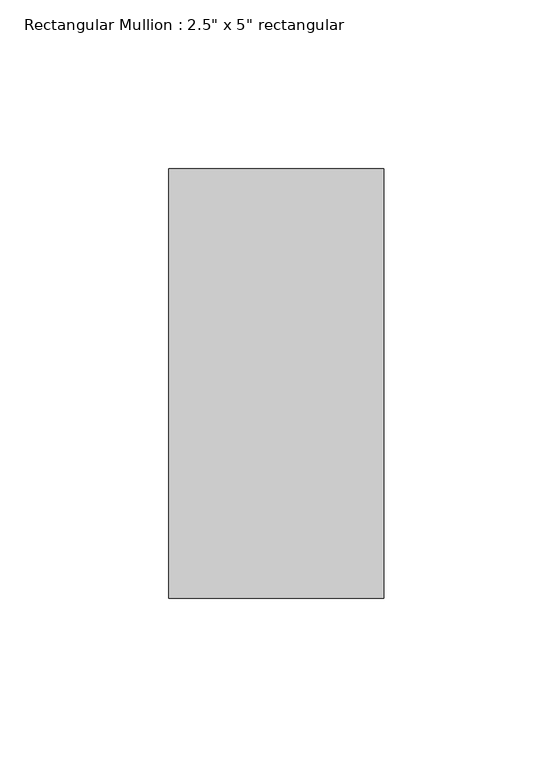
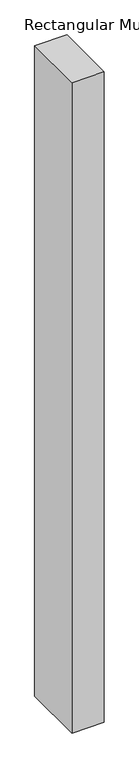
"""IFC4 building model written with IfcOpenShell, lengths in millimetres: member geometry."""

from ifc_helpers import new_model, si_unit, frame, origin, place, context, project, spatial, polyline, outline, extrude, source, transform, mapped, element, save


def member_f50f8ca6(model_context):
    return source(origin(), model_context, "Body", "SweptSolid", [
        extrude(outline(polyline([(31.75, 63.5), (31.75, -63.5), (-31.75, -63.5), (-31.75, 63.5), (31.75, 63.5)])), frame((0.0, 0.0, -1354.75), z_axis=(0.0, 0.0, 1.0), x_axis=(1.0, 0.0, 0.0)), (0.0, 0.0, 1.0), 1354.75),
    ])


if __name__ == "__main__":
    model = new_model("IFC4")
    model_context = context("Model", 3, world=origin())
    ifc_project = project(units=[si_unit("LENGTHUNIT", "METRE", prefix="MILLI")], contexts=[model_context])
    site = spatial("IfcSite", under=ifc_project)
    building = spatial("IfcBuilding", under=site)
    placement = place(None, origin())
    member_shape = member_f50f8ca6(model_context)
    element("IfcMember", 1, ObjectType="Rectangular Mullion : 2.5\" x 5\" rectangular", at=placement, inside=building, context=model_context, shape_type="MappedRepresentation", body=[
        mapped(member_shape, transform((0.0, 0.0, 0.0), x_axis=(1.0, 0.0, 0.0), y_axis=(0.0, 1.0, 0.0), z_axis=(0.0, 0.0, 1.0))),
    ])
    save(model, "model.ifc")
